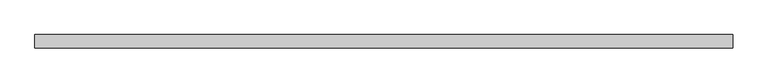
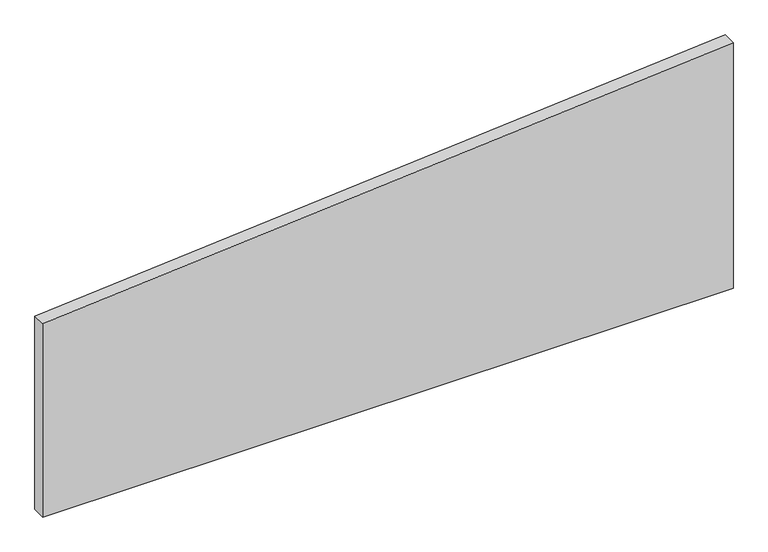
"""IFC4 building model written with IfcOpenShell, lengths in millimetres: plate geometry."""

from ifc_helpers import new_model, si_unit, frame, origin, place, context, project, spatial, polyline, outline, extrude, source, transform, mapped, element, save


def plate_efbc119b(model_context):
    return source(origin(), model_context, "Body", "SweptSolid", [
        extrude(outline(polyline([(0.0, -646.7676722), (0.0, 646.7676722), (486.8053016, 646.7676722), (382.8676317, -646.7676722), (0.0, -646.7676722)])), frame((0.0, 24.5, 0.0), z_axis=(0.0, 1.0, 0.0), x_axis=(0.0, 0.0, 1.0)), (0.0, 0.0, 1.0), 25.0),
    ])


if __name__ == "__main__":
    model = new_model("IFC4")
    model_context = context("Model", 3, world=origin())
    ifc_project = project(units=[si_unit("LENGTHUNIT", "METRE", prefix="MILLI")], contexts=[model_context])
    site = spatial("IfcSite", under=ifc_project)
    building = spatial("IfcBuilding", under=site)
    placement = place(None, origin())
    plate_shape = plate_efbc119b(model_context)
    element("IfcPlate", 1, at=placement, inside=building, context=model_context, shape_type="MappedRepresentation", body=[
        mapped(plate_shape, transform((0.0, 0.0, 0.0), x_axis=(1.0, 0.0, 0.0), y_axis=(0.0, 1.0, 0.0), z_axis=(0.0, 0.0, 1.0))),
    ])
    save(model, "model.ifc")
